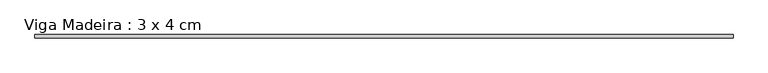
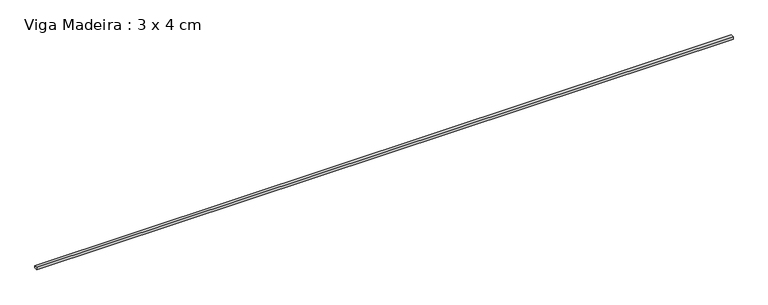
"""IFC4 building model written with IfcOpenShell, lengths in millimetres: beam geometry, Viga Madeira : 3 x 4 cm."""

from ifc_helpers import new_model, si_unit, frame, origin, place, context, project, spatial, polyline, outline, extrude, source, transform, mapped, element, save


def viga_madeira_3_x_4_cm_7fe7af10(model_context):
    return source(origin(), model_context, "Body", "SweptSolid", [
        extrude(outline(polyline([(4353.609323, 20.0), (4353.609323, -20.0), (-4353.609323, -20.0), (-4353.609323, 20.0), (4353.609323, 20.0)])), frame((0.0, 0.0, -15.0), z_axis=(0.0, 0.0, 1.0), x_axis=(1.0, 0.0, 0.0)), (0.0, 0.0, 1.0), 30.0),
    ])


if __name__ == "__main__":
    model = new_model("IFC4")
    model_context = context("Model", 3, world=origin())
    ifc_project = project(units=[si_unit("LENGTHUNIT", "METRE", prefix="MILLI")], contexts=[model_context])
    site = spatial("IfcSite", under=ifc_project)
    building = spatial("IfcBuilding", under=site)
    placement = place(None, origin())
    viga_madeira_3_x_4_cm_shape = viga_madeira_3_x_4_cm_7fe7af10(model_context)
    element("IfcBeam", 1, ObjectType="Viga Madeira : 3 x 4 cm", at=placement, inside=building, context=model_context, shape_type="MappedRepresentation", body=[
        mapped(viga_madeira_3_x_4_cm_shape, transform((0.0, 0.0, 0.0), x_axis=(1.0, 0.0, 0.0), y_axis=(0.0, 1.0, 0.0), z_axis=(0.0, 0.0, 1.0))),
    ])
    save(model, "model.ifc")
